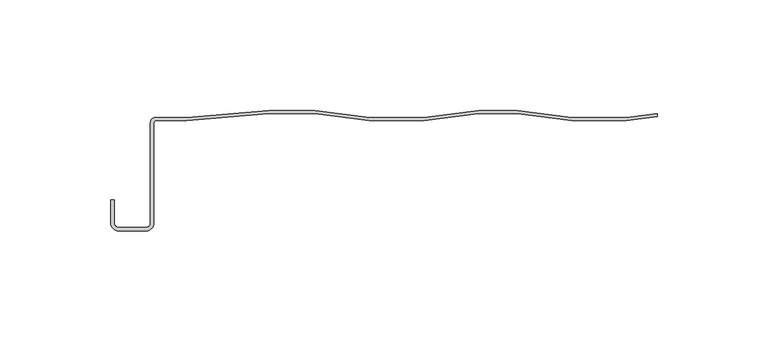
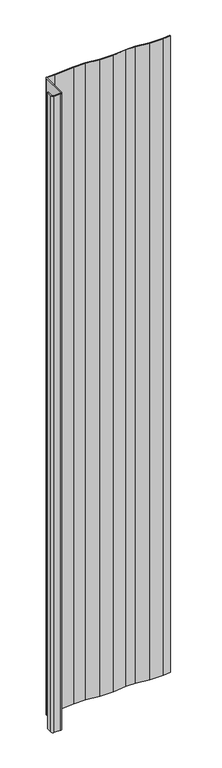
"""IFC4 building model written with IfcOpenShell, lengths in millimetres: plate geometry."""

from ifc_helpers import new_model, si_unit, point, frame_2d, origin, origin_with_axes, place, context, project, spatial, polyline, circle_curve, trimmed, segment, composite_curve, outline, extrude, source, transform, mapped, element, save


def plate_2aa4568a(model_context):
    return source(origin(), model_context, "Body", "SweptSolid", [
        extrude(outline(composite_curve([segment(trimmed(circle_curve(frame_2d((-111.1147953, -5.5697318)), 2.665351), [point((-113.7801463, -5.5697318))], [point((-112.0802497, -3.085382))], False, "CARTESIAN"), True, "CONTINUOUS"), segment(polyline([(-112.0802497, -3.085382), (-97.3988106, -3.085382), (-60.3742266, 0.0), (-39.5919057, 0.0), (-14.9088497, -3.085382), (9.6033689, -3.085382), (34.2864249, 0.0), (51.7405149, 0.0), (76.4235709, -3.085382), (100.9357895, -3.085382), (114.9042607, -1.3393231), (114.9042607, -2.722017), (101.0212082, -4.4573985), (76.3381522, -4.4573985), (51.6550962, -1.3720165), (34.3718436, -1.3720165), (9.6887876, -4.4573985), (-14.9942684, -4.4573985), (-39.6773244, -1.3720165), (-60.3171581, -1.3720165), (-97.3417421, -4.4573985), (-111.1147953, -4.4573985)]), True, "CONTINUOUS"), segment(trimmed(circle_curve(frame_2d((-111.1147953, -5.5697318)), 1.1123332), [point((-111.1147953, -4.4573985))], [point((-112.2271286, -5.5697318))], True, "CARTESIAN"), True, "CONTINUOUS"), segment(polyline([(-112.2271286, -5.5697318), (-112.2271286, -50.802476)]), True, "CONTINUOUS"), segment(trimmed(circle_curve(frame_2d((-115.759489, -50.802476)), 3.5323605), [point((-112.2271286, -50.802476))], [point((-115.759489, -54.3348365))], False, "CARTESIAN"), True, "CONTINUOUS"), segment(polyline([(-115.759489, -54.3348365), (-128.145339, -54.3348365)]), True, "CONTINUOUS"), segment(trimmed(circle_curve(frame_2d((-128.145339, -50.802476)), 3.5323605), [point((-128.145339, -54.3348365))], [point((-131.6776994, -50.802476))], False, "CARTESIAN"), True, "CONTINUOUS"), segment(polyline([(-131.6776994, -50.802476), (-131.6776994, -40.3959688), (-130.1246817, -40.3959688), (-130.1246817, -50.802476)]), True, "CONTINUOUS"), segment(trimmed(circle_curve(frame_2d((-128.145339, -50.802476)), 1.9793427), [point((-130.1246817, -50.802476))], [point((-128.145339, -52.7818187))], True, "CARTESIAN"), True, "CONTINUOUS"), segment(polyline([(-128.145339, -52.7818187), (-115.759489, -52.7818187)]), True, "CONTINUOUS"), segment(trimmed(circle_curve(frame_2d((-115.759489, -50.802476)), 1.9793427), [point((-115.759489, -52.7818187))], [point((-113.7801463, -50.802476))], True, "CARTESIAN"), True, "CONTINUOUS"), segment(polyline([(-113.7801463, -50.802476), (-113.7801463, -5.5697318)]), True, "CONTINUOUS")], self_intersect=False)), origin_with_axes(), (0.0, 0.0, 1.0), 1228.3559792),
    ])


if __name__ == "__main__":
    model = new_model("IFC4")
    model_context = context("Model", 3, world=origin())
    ifc_project = project(units=[si_unit("LENGTHUNIT", "METRE", prefix="MILLI")], contexts=[model_context])
    site = spatial("IfcSite", under=ifc_project)
    building = spatial("IfcBuilding", under=site)
    placement = place(None, origin())
    plate_shape = plate_2aa4568a(model_context)
    element("IfcPlate", 1, at=placement, inside=building, context=model_context, shape_type="MappedRepresentation", body=[
        mapped(plate_shape, transform((0.0, 0.0, 0.0), x_axis=(1.0, 0.0, 0.0), y_axis=(0.0, 1.0, 0.0), z_axis=(0.0, 0.0, 1.0))),
    ])
    save(model, "model.ifc")
